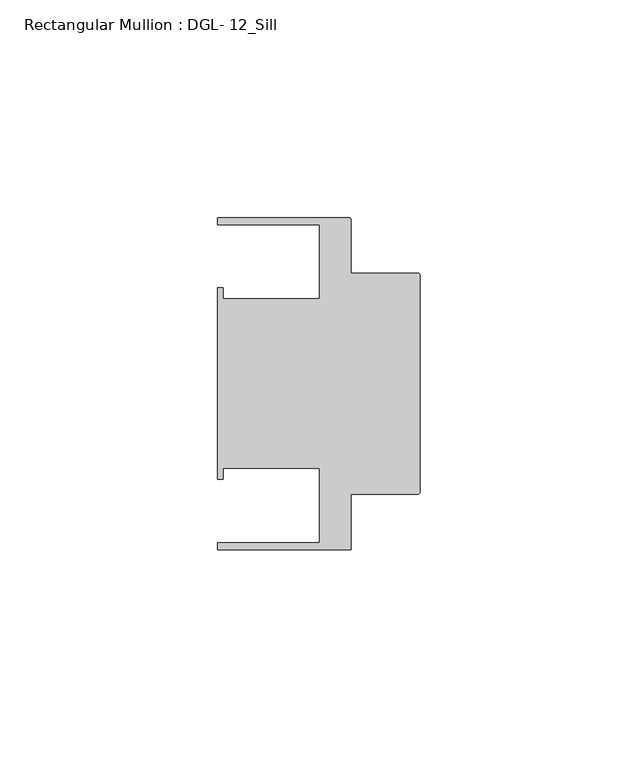
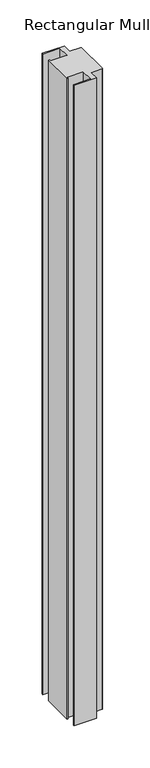
"""IFC4 building model written with IfcOpenShell, lengths in millimetres: member geometry, Rectangular Mullion : DGL- 12_Sill."""

from ifc_helpers import new_model, si_unit, point, frame, frame_2d, origin, place, context, project, spatial, polyline, circle_curve, trimmed, segment, composite_curve, outline, extrude, source, transform, mapped, element, save


def rectangular_mullion_dgl_12_sill_879b1d78(model_context):
    return source(origin(), model_context, "Body", "SweptSolid", [
        extrude(outline(composite_curve([segment(polyline([(-0.5953125, -25.4), (-15.8750672, -25.4), (-15.8750672, -38.0996792), (-46.54296, -38.0996792), (-46.54296, -36.512516), (-23.1202791, -36.512516), (-23.1202791, -19.4824275), (-45.2865266, -19.4824275), (-45.2865266, -21.9710976), (-46.54296, -21.9710976), (-46.54296, 21.9710976), (-45.2865266, 21.9710976), (-45.2865266, 19.4824275), (-23.1202791, 19.4824275), (-23.1202791, 36.512516), (-46.54296, 36.512516), (-46.54296, 38.100016), (-16.4703797, 38.100016)]), True, "CONTINUOUS"), segment(trimmed(circle_curve(frame_2d((-16.4703797, 37.5047035)), 0.5953125), [point((-16.4703797, 38.100016))], [point((-15.8750672, 37.5047035))], False, "CARTESIAN"), True, "CONTINUOUS"), segment(polyline([(-15.8750672, 37.5047035), (-15.8750672, 25.4), (-0.5953125, 25.4)]), True, "CONTINUOUS"), segment(trimmed(circle_curve(frame_2d((-0.5953125, 24.8046875)), 0.5953125), [point((-0.5953125, 25.4))], [point((0.0, 24.8046875))], False, "CARTESIAN"), True, "CONTINUOUS"), segment(polyline([(0.0, 24.8046875), (0.0, -24.8046875)]), True, "CONTINUOUS"), segment(trimmed(circle_curve(frame_2d((-0.5953125, -24.8046875)), 0.5953125), [point((0.0, -24.8046875))], [point((-0.5953125, -25.4))], False, "CARTESIAN"), True, "CONTINUOUS")], self_intersect=False)), frame((0.0, 0.0, -928.4011276), z_axis=(0.0, 0.0, 1.0), x_axis=(1.0, 0.0, 0.0)), (0.0, 0.0, 1.0), 928.4011276),
    ])


if __name__ == "__main__":
    model = new_model("IFC4")
    model_context = context("Model", 3, world=origin())
    ifc_project = project(units=[si_unit("LENGTHUNIT", "METRE", prefix="MILLI")], contexts=[model_context])
    site = spatial("IfcSite", under=ifc_project)
    building = spatial("IfcBuilding", under=site)
    placement = place(None, origin())
    rectangular_mullion_dgl_12_sill_shape = rectangular_mullion_dgl_12_sill_879b1d78(model_context)
    element("IfcMember", 1, ObjectType="Rectangular Mullion : DGL- 12_Sill", at=placement, inside=building, context=model_context, shape_type="MappedRepresentation", body=[
        mapped(rectangular_mullion_dgl_12_sill_shape, transform((0.0, 0.0, 0.0), x_axis=(1.0, 0.0, 0.0), y_axis=(0.0, 1.0, 0.0), z_axis=(0.0, 0.0, 1.0))),
    ])
    save(model, "model.ifc")
